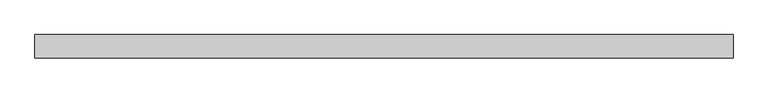
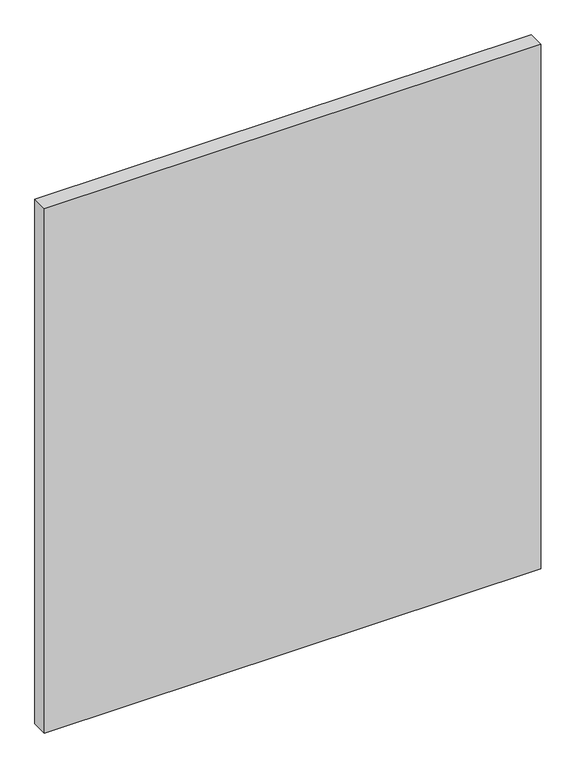
"""IFC4 building model written with IfcOpenShell, lengths in millimetres: plate geometry."""

from ifc_helpers import new_model, si_unit, origin, origin_with_axes, place, context, project, spatial, polyline, outline, extrude, source, transform, mapped, element, save


def plate_1bcf668f(model_context):
    return source(origin(), model_context, "Body", "SweptSolid", [
        extrude(outline(polyline([(523.8125, -17.5), (-523.8125, -17.5), (-523.8125, 17.5), (523.8125, 17.5), (523.8125, -17.5)])), origin_with_axes(), (0.0, 0.0, 1.0), 1170.0),
    ])


if __name__ == "__main__":
    model = new_model("IFC4")
    model_context = context("Model", 3, world=origin())
    ifc_project = project(units=[si_unit("LENGTHUNIT", "METRE", prefix="MILLI")], contexts=[model_context])
    site = spatial("IfcSite", under=ifc_project)
    building = spatial("IfcBuilding", under=site)
    placement = place(None, origin())
    plate_shape = plate_1bcf668f(model_context)
    element("IfcPlate", 1, at=placement, inside=building, context=model_context, shape_type="MappedRepresentation", body=[
        mapped(plate_shape, transform((0.0, 0.0, 0.0), x_axis=(1.0, 0.0, 0.0), y_axis=(0.0, 1.0, 0.0), z_axis=(0.0, 0.0, 1.0))),
    ])
    save(model, "model.ifc")
